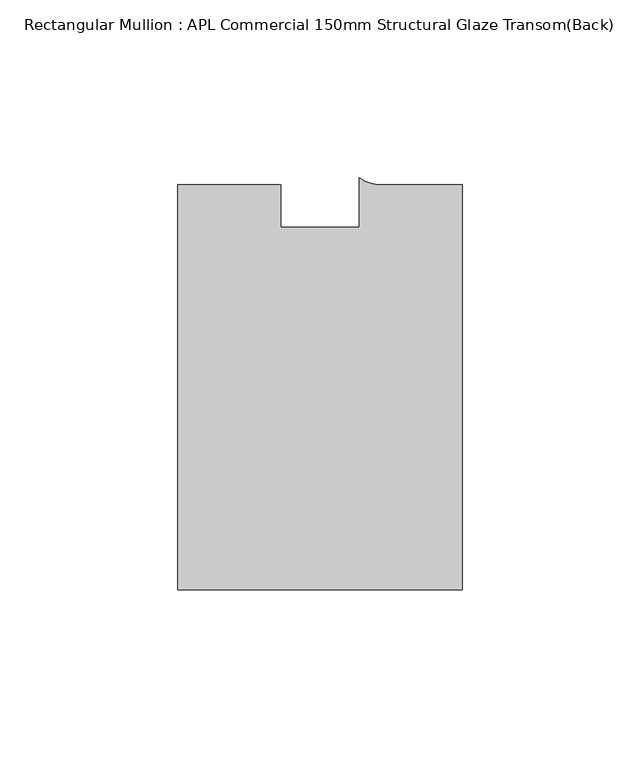
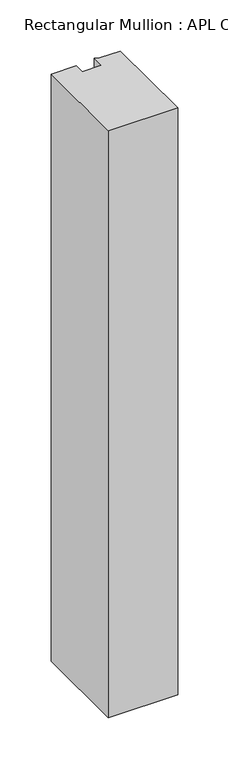
"""IFC4 building model written with IfcOpenShell, lengths in millimetres: member geometry, Rectangular Mullion : APL Commercial 150mm Structural Glaze Transom(Back)."""

from ifc_helpers import new_model, si_unit, point, frame, frame_2d, origin, place, context, project, spatial, polyline, circle_curve, trimmed, segment, composite_curve, outline, extrude, source, transform, mapped, element, save


def rectangular_mullion_apl_commercial_150mm_structural_glaze_a49d83df(model_context):
    return source(origin(), model_context, "Body", "SweptSolid", [
        extrude(outline(composite_curve([segment(polyline([(40.0, -128.9999975), (-40.0, -128.9999975), (-40.0, -15.0000829), (-11.0000151, -15.0000829), (-11.0000151, -27.0), (11.0000151, -27.0), (11.0000151, -13.0673455)]), True, "CONTINUOUS"), segment(trimmed(circle_curve(frame_2d((17.1097719, -4.581653)), 10.4563907), [point((11.0000151, -13.0673455))], [point((17.9999542, -15.0000829))], True, "CARTESIAN"), True, "CONTINUOUS"), segment(polyline([(17.9999542, -15.0000829), (40.0, -15.0000829), (40.0, -128.9999975)]), True, "CONTINUOUS")], self_intersect=False)), frame((0.0, 0.0, -715.3626887), z_axis=(0.0, 0.0, 1.0), x_axis=(1.0, 0.0, 0.0)), (0.0, 0.0, 1.0), 715.3626887),
    ])


if __name__ == "__main__":
    model = new_model("IFC4")
    model_context = context("Model", 3, world=origin())
    ifc_project = project(units=[si_unit("LENGTHUNIT", "METRE", prefix="MILLI")], contexts=[model_context])
    site = spatial("IfcSite", under=ifc_project)
    building = spatial("IfcBuilding", under=site)
    placement = place(None, origin())
    rectangular_mullion_apl_commercial_150mm_structural_glaze_shape = rectangular_mullion_apl_commercial_150mm_structural_glaze_a49d83df(model_context)
    element("IfcMember", 1, ObjectType="Rectangular Mullion : APL Commercial 150mm Structural Glaze Transom(Back)", at=placement, inside=building, context=model_context, shape_type="MappedRepresentation", body=[
        mapped(rectangular_mullion_apl_commercial_150mm_structural_glaze_shape, transform((0.0, 0.0, 0.0), x_axis=(1.0, 0.0, 0.0), y_axis=(0.0, 1.0, 0.0), z_axis=(0.0, 0.0, 1.0))),
    ])
    save(model, "model.ifc")
